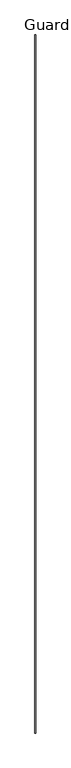
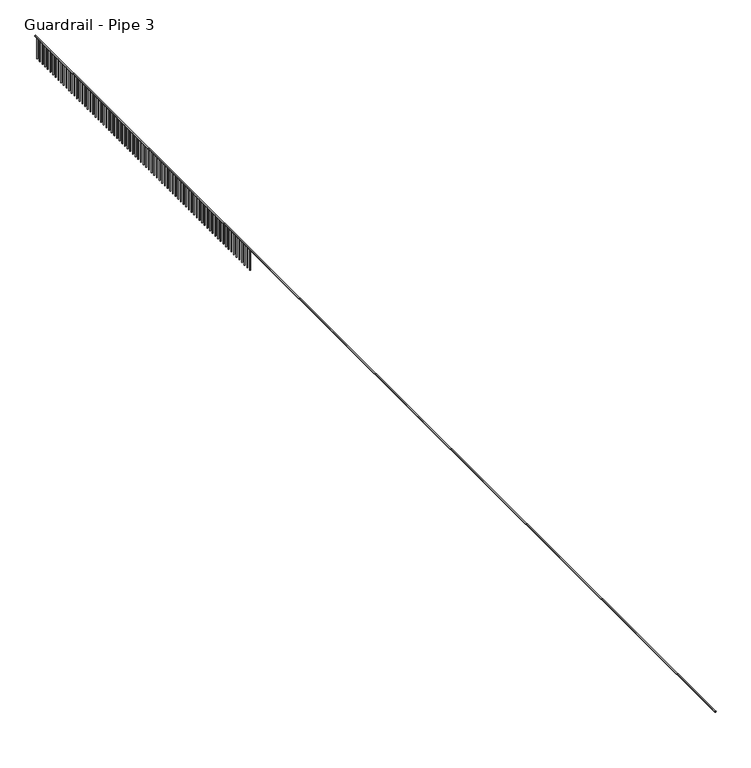
"""IFC4 building model written with IfcOpenShell, lengths in millimetres: railing geometry, Guardrail - Pipe 3."""

import ifcopenshell
import ifcopenshell.guid

model = None  # the IFC model being written
_history = None  # IfcOwnerHistory: only IFC2X3 demands one
_inside = {}  # id of a spatial element -> (the spatial element, [elements in it])
_under = {}  # id of a project, library or spatial element -> (it, [spatial elements below it])
_declared = {}  # id of a project -> (the project, [libraries it declares])
_typed = {}  # id of a type object -> (the type object, [elements of that type])
_made_of = {}  # id of a material, layer set ... -> (it, [elements and type objects made of it])


def new_model(schema):
    """Start an empty IFC model of exactly this schema.

    Asked for "IFC4X3", IfcOpenShell would pick the latest addendum, in which some entities
    have other attributes; the version numbers below select the first issue.
    IFC2X3 requires an IfcOwnerHistory on every rooted entity: one is made here for all.
    """
    global model, _history
    if schema == "IFC4X3":
        model = ifcopenshell.file(schema_version=(4, 3, 0, 0))
    else:
        model = ifcopenshell.file(schema=schema)
    _inside.clear()
    _under.clear()
    _declared.clear()
    _typed.clear()
    _made_of.clear()
    _history = None
    if model.schema == "IFC2X3":
        org = make("IfcOrganization", Name="unknown")
        user = make(
            "IfcPersonAndOrganization",
            ThePerson=make("IfcPerson", FamilyName="unknown"),
            TheOrganization=org,
        )
        app = make(
            "IfcApplication",
            ApplicationDeveloper=org,
            Version="unknown",
            ApplicationFullName="unknown",
            ApplicationIdentifier="unknown",
        )
        _history = make(
            "IfcOwnerHistory",
            OwningUser=user,
            OwningApplication=app,
            ChangeAction="ADDED",
            CreationDate=0,
        )
    return model


def make(cls, **values):
    """One entity of the class cls with the attributes given. An attribute that is None is left unset."""
    return model.create_entity(
        cls, **{name: value for name, value in values.items() if value is not None}
    )


def rooted(cls, **values):
    """An entity with a GlobalId (a new one), such as an element, a storey or a relation."""
    return make(cls, GlobalId=ifcopenshell.guid.new(), OwnerHistory=_history, **values)


def si_unit(unit_type, name, prefix=None):
    """IfcSIUnit, for example si_unit("LENGTHUNIT", "METRE", prefix="MILLI")."""
    return make("IfcSIUnit", UnitType=unit_type, Prefix=prefix, Name=name)


def assignment(units):
    """IfcUnitAssignment: the units of a project."""
    return None if units is None else make("IfcUnitAssignment", Units=units)


def point(xyz):
    """IfcCartesianPoint."""
    return None if xyz is None else make("IfcCartesianPoint", Coordinates=xyz)


def direction(xyz):
    """IfcDirection."""
    return None if xyz is None else make("IfcDirection", DirectionRatios=xyz)


def frame(location, z_axis=None, x_axis=None):
    """IfcAxis2Placement3D, a coordinate frame: its origin and axes. An axis left out is left unset."""
    return make(
        "IfcAxis2Placement3D",
        Location=point(location),
        Axis=direction(z_axis),
        RefDirection=direction(x_axis),
    )


def frame_2d(location, x_axis=None):
    """IfcAxis2Placement2D, a coordinate frame in the plane: its origin and x axis."""
    return make(
        "IfcAxis2Placement2D", Location=point(location), RefDirection=direction(x_axis)
    )


def origin():
    """The frame at (0, 0, 0) with its axes left unset."""
    return frame((0.0, 0.0, 0.0))


def place(relative_to, where):
    """IfcLocalPlacement: puts the frame where relative to a parent placement (None: the world)."""
    return make(
        "IfcLocalPlacement", PlacementRelTo=relative_to, RelativePlacement=where
    )


def context(
    kind, dimensions, precision=None, world=None, true_north=None, identifier=None
):
    """IfcGeometricRepresentationContext, for example the 3D "Model" context."""
    return make(
        "IfcGeometricRepresentationContext",
        ContextIdentifier=identifier,
        ContextType=kind,
        CoordinateSpaceDimension=dimensions,
        Precision=precision,
        WorldCoordinateSystem=world,
        TrueNorth=true_north,
    )


def project(units=None, contexts=None):
    """IfcProject with its units and contexts."""
    return rooted(
        "IfcProject",
        Name="project",
        RepresentationContexts=contexts,
        UnitsInContext=assignment(units),
    )


def spatial(cls, under=None, at=None, **own):
    """A site, building, storey or space (cls), placed at a placement, below another one or the project."""
    s = rooted(cls, ObjectPlacement=at, **own)
    if under is not None:
        _under.setdefault(under.id(), (under, []))[1].append(s)
    return s


def circle_curve(where, radius):
    """IfcCircle in the frame where."""
    return make("IfcCircle", Position=where, Radius=radius)


def trimmed(basis, trim1, trim2, sense, master):
    """IfcTrimmedCurve: the piece of a basis curve between two trims."""
    return make(
        "IfcTrimmedCurve",
        BasisCurve=basis,
        Trim1=trim1,
        Trim2=trim2,
        SenseAgreement=sense,
        MasterRepresentation=master,
    )


def segment(curve, same_sense, transition):
    """IfcCompositeCurveSegment."""
    return make(
        "IfcCompositeCurveSegment",
        Transition=transition,
        SameSense=same_sense,
        ParentCurve=curve,
    )


def composite_curve(segments, self_intersect=None):
    """IfcCompositeCurve: segments joined end to end."""
    return make("IfcCompositeCurve", Segments=segments, SelfIntersect=self_intersect)


def outline(outer, holes=None, kind="AREA"):
    """IfcArbitraryClosedProfileDef: a profile drawn as a closed curve; with holes, ...WithVoids."""
    if holes is None:
        return make("IfcArbitraryClosedProfileDef", ProfileType=kind, OuterCurve=outer)
    return make(
        "IfcArbitraryProfileDefWithVoids",
        ProfileType=kind,
        OuterCurve=outer,
        InnerCurves=holes,
    )


def extrude(swept, where, along, depth):
    """IfcExtrudedAreaSolid: the profile swept, set in the frame where, extruded along a direction by depth."""
    return make(
        "IfcExtrudedAreaSolid",
        SweptArea=swept,
        Position=where,
        ExtrudedDirection=direction(along),
        Depth=depth,
    )


def shape(context_of_items, identifier, shape_type, items):
    """IfcShapeRepresentation: the items that make up one representation, for example the "Body"."""
    return make(
        "IfcShapeRepresentation",
        ContextOfItems=context_of_items,
        RepresentationIdentifier=identifier,
        RepresentationType=shape_type,
        Items=items,
    )


def source(mapping_origin, context_of_items, identifier, shape_type, items):
    """IfcRepresentationMap: a shape defined once, which mapped items show again and again."""
    return make(
        "IfcRepresentationMap",
        MappingOrigin=mapping_origin,
        MappedRepresentation=shape(context_of_items, identifier, shape_type, items),
    )


def transform(
    local_origin,
    x_axis=None,
    y_axis=None,
    z_axis=None,
    scale=None,
    scale2=None,
    scale3=None,
    uniform=True,
):
    """IfcCartesianTransformationOperator3D, or its non-uniform kind. x_axis, y_axis, z_axis: its Axis1, 2, 3."""
    if uniform:
        return make(
            "IfcCartesianTransformationOperator3D",
            Axis1=direction(x_axis),
            Axis2=direction(y_axis),
            LocalOrigin=point(local_origin),
            Scale=scale,
            Axis3=direction(z_axis),
        )
    return make(
        "IfcCartesianTransformationOperator3DnonUniform",
        Axis1=direction(x_axis),
        Axis2=direction(y_axis),
        LocalOrigin=point(local_origin),
        Scale=scale,
        Axis3=direction(z_axis),
        Scale2=scale2,
        Scale3=scale3,
    )


def mapped(mapping_source, mapping_target):
    """IfcMappedItem: shows the shape of a source again, moved by a transform."""
    return make(
        "IfcMappedItem", MappingSource=mapping_source, MappingTarget=mapping_target
    )


def made_of(thing, what):
    """Note that an element or type object is made of a material, layer set ...; save() writes the relation."""
    if what is not None:
        _made_of.setdefault(what.id(), (what, []))[1].append(thing)
    return thing


def element(
    cls,
    number,
    at=None,
    inside=None,
    cuts=None,
    type_object=None,
    material=None,
    context=None,
    identifier="Body",
    shape_type=None,
    held_by="IfcProductDefinitionShape",
    body=None,
    shapes=None,
    **own,
):
    """One element of the class cls, such as IfcWall. Its Tag is "e" and its number.

    at: its placement. inside: the storey or other place that contains it. cuts: it is an
    opening in that element (IfcRelVoidsElement). A single representation is given by context,
    identifier, shape_type and body (its items); several are given by shapes. held_by: the class
    of the entity that holds the representations. save() writes the other relations.
    """
    e = rooted(cls, Tag="e%d" % number, ObjectPlacement=at, **own)
    if body is not None:
        shapes = [shape(context, identifier, shape_type, body)]
    if shapes is not None:
        e.Representation = make(held_by, Representations=shapes)
    if inside is not None:
        _inside.setdefault(inside.id(), (inside, []))[1].append(e)
    if cuts is not None:
        rooted(
            "IfcRelVoidsElement", RelatingBuildingElement=cuts, RelatedOpeningElement=e
        )
    if type_object is not None:
        _typed.setdefault(type_object.id(), (type_object, []))[1].append(e)
    return made_of(e, material)


def aggregate(whole, parts):
    """IfcRelAggregates: a whole, such as a stair, and the parts it consists of."""
    return rooted("IfcRelAggregates", RelatingObject=whole, RelatedObjects=parts)


def save(model, path):
    """Write the relations noted so far, then the file.

    IfcRelAggregates (storeys below a building ...), IfcRelContainedInSpatialStructure (elements
    in a storey), IfcRelDefinesByType, IfcRelAssociatesMaterial and IfcRelDeclares: one each for
    every whole, place, type object, material and project.
    """
    for whole, parts in _under.values():
        aggregate(whole, parts)
    for where, things in _inside.values():
        rooted(
            "IfcRelContainedInSpatialStructure",
            RelatedElements=things,
            RelatingStructure=where,
        )
    for kind, things in _typed.values():
        rooted("IfcRelDefinesByType", RelatedObjects=things, RelatingType=kind)
    for what, things in _made_of.values():
        rooted("IfcRelAssociatesMaterial", RelatedObjects=things, RelatingMaterial=what)
    for by, libraries in _declared.values():
        rooted("IfcRelDeclares", RelatingContext=by, RelatedDefinitions=libraries)
    model.write(path)


def guardrail_pipe_3_235fc4c5(model_context):
    return source(origin(), model_context, "Body", "SweptSolid", [
        extrude(outline(composite_curve([segment(trimmed(circle_curve(frame_2d((5010.15, 239010.323562)), 19.05), [point((5010.15, 238991.273562))], [point((5010.15, 239029.373562))], False, "CARTESIAN"), True, "CONTINUOUS"), segment(trimmed(circle_curve(frame_2d((5010.15, 239010.323562)), 19.05), [point((5010.15, 239029.373562))], [point((5010.15, 238991.273562))], False, "CARTESIAN"), True, "CONTINUOUS")], self_intersect=False)), frame((0.0, -560334.7360133, 0.0), z_axis=(0.0, 1.0, 0.0), x_axis=(0.0, 0.0, 1.0)), (0.0, 0.0, 1.0), 38963.6),
        extrude(outline(composite_curve([segment(trimmed(circle_curve(frame_2d((239010.323562, -521472.7360133)), 12.7), [point((238997.623562, -521472.7360133))], [point((239023.023562, -521472.7360133))], False, "CARTESIAN"), True, "CONTINUOUS"), segment(trimmed(circle_curve(frame_2d((239010.323562, -521472.7360133)), 12.7), [point((239023.023562, -521472.7360133))], [point((238997.623562, -521472.7360133))], False, "CARTESIAN"), True, "CONTINUOUS")], self_intersect=False)), frame((0.0, 0.0, 4267.2), z_axis=(0.0, 0.0, 1.0), x_axis=(1.0, 0.0, 0.0)), (0.0, 0.0, 1.0), 723.9),
        extrude(outline(composite_curve([segment(trimmed(circle_curve(frame_2d((239010.323562, -521625.1360133)), 12.7), [point((238997.623562, -521625.1360133))], [point((239023.023562, -521625.1360133))], False, "CARTESIAN"), True, "CONTINUOUS"), segment(trimmed(circle_curve(frame_2d((239010.323562, -521625.1360133)), 12.7), [point((239023.023562, -521625.1360133))], [point((238997.623562, -521625.1360133))], False, "CARTESIAN"), True, "CONTINUOUS")], self_intersect=False)), frame((0.0, 0.0, 4267.2), z_axis=(0.0, 0.0, 1.0), x_axis=(1.0, 0.0, 0.0)), (0.0, 0.0, 1.0), 723.9),
        extrude(outline(composite_curve([segment(trimmed(circle_curve(frame_2d((239010.323562, -521777.5360133)), 12.7), [point((238997.623562, -521777.5360133))], [point((239023.023562, -521777.5360133))], False, "CARTESIAN"), True, "CONTINUOUS"), segment(trimmed(circle_curve(frame_2d((239010.323562, -521777.5360133)), 12.7), [point((239023.023562, -521777.5360133))], [point((238997.623562, -521777.5360133))], False, "CARTESIAN"), True, "CONTINUOUS")], self_intersect=False)), frame((0.0, 0.0, 4267.2), z_axis=(0.0, 0.0, 1.0), x_axis=(1.0, 0.0, 0.0)), (0.0, 0.0, 1.0), 723.9),
        extrude(outline(composite_curve([segment(trimmed(circle_curve(frame_2d((239010.323562, -521929.9360133)), 12.7), [point((238997.623562, -521929.9360133))], [point((239023.023562, -521929.9360133))], False, "CARTESIAN"), True, "CONTINUOUS"), segment(trimmed(circle_curve(frame_2d((239010.323562, -521929.9360133)), 12.7), [point((239023.023562, -521929.9360133))], [point((238997.623562, -521929.9360133))], False, "CARTESIAN"), True, "CONTINUOUS")], self_intersect=False)), frame((0.0, 0.0, 4267.2), z_axis=(0.0, 0.0, 1.0), x_axis=(1.0, 0.0, 0.0)), (0.0, 0.0, 1.0), 723.9),
        extrude(outline(composite_curve([segment(trimmed(circle_curve(frame_2d((239010.323562, -522082.3360133)), 12.7), [point((238997.623562, -522082.3360133))], [point((239023.023562, -522082.3360133))], False, "CARTESIAN"), True, "CONTINUOUS"), segment(trimmed(circle_curve(frame_2d((239010.323562, -522082.3360133)), 12.7), [point((239023.023562, -522082.3360133))], [point((238997.623562, -522082.3360133))], False, "CARTESIAN"), True, "CONTINUOUS")], self_intersect=False)), frame((0.0, 0.0, 4267.2), z_axis=(0.0, 0.0, 1.0), x_axis=(1.0, 0.0, 0.0)), (0.0, 0.0, 1.0), 723.9),
        extrude(outline(composite_curve([segment(trimmed(circle_curve(frame_2d((239010.323562, -522234.7360133)), 12.7), [point((238997.623562, -522234.7360133))], [point((239023.023562, -522234.7360133))], False, "CARTESIAN"), True, "CONTINUOUS"), segment(trimmed(circle_curve(frame_2d((239010.323562, -522234.7360133)), 12.7), [point((239023.023562, -522234.7360133))], [point((238997.623562, -522234.7360133))], False, "CARTESIAN"), True, "CONTINUOUS")], self_intersect=False)), frame((0.0, 0.0, 4267.2), z_axis=(0.0, 0.0, 1.0), x_axis=(1.0, 0.0, 0.0)), (0.0, 0.0, 1.0), 723.9),
        extrude(outline(composite_curve([segment(trimmed(circle_curve(frame_2d((239010.323562, -522387.1360133)), 12.7), [point((238997.623562, -522387.1360133))], [point((239023.023562, -522387.1360133))], False, "CARTESIAN"), True, "CONTINUOUS"), segment(trimmed(circle_curve(frame_2d((239010.323562, -522387.1360133)), 12.7), [point((239023.023562, -522387.1360133))], [point((238997.623562, -522387.1360133))], False, "CARTESIAN"), True, "CONTINUOUS")], self_intersect=False)), frame((0.0, 0.0, 4267.2), z_axis=(0.0, 0.0, 1.0), x_axis=(1.0, 0.0, 0.0)), (0.0, 0.0, 1.0), 723.9),
        extrude(outline(composite_curve([segment(trimmed(circle_curve(frame_2d((239010.323562, -522539.5360133)), 12.7), [point((238997.623562, -522539.5360133))], [point((239023.023562, -522539.5360133))], False, "CARTESIAN"), True, "CONTINUOUS"), segment(trimmed(circle_curve(frame_2d((239010.323562, -522539.5360133)), 12.7), [point((239023.023562, -522539.5360133))], [point((238997.623562, -522539.5360133))], False, "CARTESIAN"), True, "CONTINUOUS")], self_intersect=False)), frame((0.0, 0.0, 4267.2), z_axis=(0.0, 0.0, 1.0), x_axis=(1.0, 0.0, 0.0)), (0.0, 0.0, 1.0), 723.9),
        extrude(outline(composite_curve([segment(trimmed(circle_curve(frame_2d((239010.323562, -522691.9360133)), 12.7), [point((238997.623562, -522691.9360133))], [point((239023.023562, -522691.9360133))], False, "CARTESIAN"), True, "CONTINUOUS"), segment(trimmed(circle_curve(frame_2d((239010.323562, -522691.9360133)), 12.7), [point((239023.023562, -522691.9360133))], [point((238997.623562, -522691.9360133))], False, "CARTESIAN"), True, "CONTINUOUS")], self_intersect=False)), frame((0.0, 0.0, 4267.2), z_axis=(0.0, 0.0, 1.0), x_axis=(1.0, 0.0, 0.0)), (0.0, 0.0, 1.0), 723.9),
        extrude(outline(composite_curve([segment(trimmed(circle_curve(frame_2d((239010.323562, -522844.3360133)), 12.7), [point((238997.623562, -522844.3360133))], [point((239023.023562, -522844.3360133))], False, "CARTESIAN"), True, "CONTINUOUS"), segment(trimmed(circle_curve(frame_2d((239010.323562, -522844.3360133)), 12.7), [point((239023.023562, -522844.3360133))], [point((238997.623562, -522844.3360133))], False, "CARTESIAN"), True, "CONTINUOUS")], self_intersect=False)), frame((0.0, 0.0, 4267.2), z_axis=(0.0, 0.0, 1.0), x_axis=(1.0, 0.0, 0.0)), (0.0, 0.0, 1.0), 723.9),
        extrude(outline(composite_curve([segment(trimmed(circle_curve(frame_2d((239010.323562, -522996.7360133)), 12.7), [point((238997.623562, -522996.7360133))], [point((239023.023562, -522996.7360133))], False, "CARTESIAN"), True, "CONTINUOUS"), segment(trimmed(circle_curve(frame_2d((239010.323562, -522996.7360133)), 12.7), [point((239023.023562, -522996.7360133))], [point((238997.623562, -522996.7360133))], False, "CARTESIAN"), True, "CONTINUOUS")], self_intersect=False)), frame((0.0, 0.0, 4267.2), z_axis=(0.0, 0.0, 1.0), x_axis=(1.0, 0.0, 0.0)), (0.0, 0.0, 1.0), 723.9),
        extrude(outline(composite_curve([segment(trimmed(circle_curve(frame_2d((239010.323562, -523149.1360133)), 12.7), [point((238997.623562, -523149.1360133))], [point((239023.023562, -523149.1360133))], False, "CARTESIAN"), True, "CONTINUOUS"), segment(trimmed(circle_curve(frame_2d((239010.323562, -523149.1360133)), 12.7), [point((239023.023562, -523149.1360133))], [point((238997.623562, -523149.1360133))], False, "CARTESIAN"), True, "CONTINUOUS")], self_intersect=False)), frame((0.0, 0.0, 4267.2), z_axis=(0.0, 0.0, 1.0), x_axis=(1.0, 0.0, 0.0)), (0.0, 0.0, 1.0), 723.9),
        extrude(outline(composite_curve([segment(trimmed(circle_curve(frame_2d((239010.323562, -523301.5360133)), 12.7), [point((238997.623562, -523301.5360133))], [point((239023.023562, -523301.5360133))], False, "CARTESIAN"), True, "CONTINUOUS"), segment(trimmed(circle_curve(frame_2d((239010.323562, -523301.5360133)), 12.7), [point((239023.023562, -523301.5360133))], [point((238997.623562, -523301.5360133))], False, "CARTESIAN"), True, "CONTINUOUS")], self_intersect=False)), frame((0.0, 0.0, 4267.2), z_axis=(0.0, 0.0, 1.0), x_axis=(1.0, 0.0, 0.0)), (0.0, 0.0, 1.0), 723.9),
        extrude(outline(composite_curve([segment(trimmed(circle_curve(frame_2d((239010.323562, -523453.9360133)), 12.7), [point((238997.623562, -523453.9360133))], [point((239023.023562, -523453.9360133))], False, "CARTESIAN"), True, "CONTINUOUS"), segment(trimmed(circle_curve(frame_2d((239010.323562, -523453.9360133)), 12.7), [point((239023.023562, -523453.9360133))], [point((238997.623562, -523453.9360133))], False, "CARTESIAN"), True, "CONTINUOUS")], self_intersect=False)), frame((0.0, 0.0, 4267.2), z_axis=(0.0, 0.0, 1.0), x_axis=(1.0, 0.0, 0.0)), (0.0, 0.0, 1.0), 723.9),
        extrude(outline(composite_curve([segment(trimmed(circle_curve(frame_2d((239010.323562, -523606.3360133)), 12.7), [point((238997.623562, -523606.3360133))], [point((239023.023562, -523606.3360133))], False, "CARTESIAN"), True, "CONTINUOUS"), segment(trimmed(circle_curve(frame_2d((239010.323562, -523606.3360133)), 12.7), [point((239023.023562, -523606.3360133))], [point((238997.623562, -523606.3360133))], False, "CARTESIAN"), True, "CONTINUOUS")], self_intersect=False)), frame((0.0, 0.0, 4267.2), z_axis=(0.0, 0.0, 1.0), x_axis=(1.0, 0.0, 0.0)), (0.0, 0.0, 1.0), 723.9),
        extrude(outline(composite_curve([segment(trimmed(circle_curve(frame_2d((239010.323562, -523758.7360133)), 12.7), [point((238997.623562, -523758.7360133))], [point((239023.023562, -523758.7360133))], False, "CARTESIAN"), True, "CONTINUOUS"), segment(trimmed(circle_curve(frame_2d((239010.323562, -523758.7360133)), 12.7), [point((239023.023562, -523758.7360133))], [point((238997.623562, -523758.7360133))], False, "CARTESIAN"), True, "CONTINUOUS")], self_intersect=False)), frame((0.0, 0.0, 4267.2), z_axis=(0.0, 0.0, 1.0), x_axis=(1.0, 0.0, 0.0)), (0.0, 0.0, 1.0), 723.9),
        extrude(outline(composite_curve([segment(trimmed(circle_curve(frame_2d((239010.323562, -523911.1360133)), 12.7), [point((238997.623562, -523911.1360133))], [point((239023.023562, -523911.1360133))], False, "CARTESIAN"), True, "CONTINUOUS"), segment(trimmed(circle_curve(frame_2d((239010.323562, -523911.1360133)), 12.7), [point((239023.023562, -523911.1360133))], [point((238997.623562, -523911.1360133))], False, "CARTESIAN"), True, "CONTINUOUS")], self_intersect=False)), frame((0.0, 0.0, 4267.2), z_axis=(0.0, 0.0, 1.0), x_axis=(1.0, 0.0, 0.0)), (0.0, 0.0, 1.0), 723.9),
        extrude(outline(composite_curve([segment(trimmed(circle_curve(frame_2d((239010.323562, -524063.5360133)), 12.7), [point((238997.623562, -524063.5360133))], [point((239023.023562, -524063.5360133))], False, "CARTESIAN"), True, "CONTINUOUS"), segment(trimmed(circle_curve(frame_2d((239010.323562, -524063.5360133)), 12.7), [point((239023.023562, -524063.5360133))], [point((238997.623562, -524063.5360133))], False, "CARTESIAN"), True, "CONTINUOUS")], self_intersect=False)), frame((0.0, 0.0, 4267.2), z_axis=(0.0, 0.0, 1.0), x_axis=(1.0, 0.0, 0.0)), (0.0, 0.0, 1.0), 723.9),
        extrude(outline(composite_curve([segment(trimmed(circle_curve(frame_2d((239010.323562, -524215.9360133)), 12.7), [point((238997.623562, -524215.9360133))], [point((239023.023562, -524215.9360133))], False, "CARTESIAN"), True, "CONTINUOUS"), segment(trimmed(circle_curve(frame_2d((239010.323562, -524215.9360133)), 12.7), [point((239023.023562, -524215.9360133))], [point((238997.623562, -524215.9360133))], False, "CARTESIAN"), True, "CONTINUOUS")], self_intersect=False)), frame((0.0, 0.0, 4267.2), z_axis=(0.0, 0.0, 1.0), x_axis=(1.0, 0.0, 0.0)), (0.0, 0.0, 1.0), 723.9),
        extrude(outline(composite_curve([segment(trimmed(circle_curve(frame_2d((239010.323562, -524368.3360133)), 12.7), [point((238997.623562, -524368.3360133))], [point((239023.023562, -524368.3360133))], False, "CARTESIAN"), True, "CONTINUOUS"), segment(trimmed(circle_curve(frame_2d((239010.323562, -524368.3360133)), 12.7), [point((239023.023562, -524368.3360133))], [point((238997.623562, -524368.3360133))], False, "CARTESIAN"), True, "CONTINUOUS")], self_intersect=False)), frame((0.0, 0.0, 4267.2), z_axis=(0.0, 0.0, 1.0), x_axis=(1.0, 0.0, 0.0)), (0.0, 0.0, 1.0), 723.9),
        extrude(outline(composite_curve([segment(trimmed(circle_curve(frame_2d((239010.323562, -524520.7360133)), 12.7), [point((238997.623562, -524520.7360133))], [point((239023.023562, -524520.7360133))], False, "CARTESIAN"), True, "CONTINUOUS"), segment(trimmed(circle_curve(frame_2d((239010.323562, -524520.7360133)), 12.7), [point((239023.023562, -524520.7360133))], [point((238997.623562, -524520.7360133))], False, "CARTESIAN"), True, "CONTINUOUS")], self_intersect=False)), frame((0.0, 0.0, 4267.2), z_axis=(0.0, 0.0, 1.0), x_axis=(1.0, 0.0, 0.0)), (0.0, 0.0, 1.0), 723.9),
        extrude(outline(composite_curve([segment(trimmed(circle_curve(frame_2d((239010.323562, -524673.1360133)), 12.7), [point((238997.623562, -524673.1360133))], [point((239023.023562, -524673.1360133))], False, "CARTESIAN"), True, "CONTINUOUS"), segment(trimmed(circle_curve(frame_2d((239010.323562, -524673.1360133)), 12.7), [point((239023.023562, -524673.1360133))], [point((238997.623562, -524673.1360133))], False, "CARTESIAN"), True, "CONTINUOUS")], self_intersect=False)), frame((0.0, 0.0, 4267.2), z_axis=(0.0, 0.0, 1.0), x_axis=(1.0, 0.0, 0.0)), (0.0, 0.0, 1.0), 723.9),
        extrude(outline(composite_curve([segment(trimmed(circle_curve(frame_2d((239010.323562, -524825.5360133)), 12.7), [point((238997.623562, -524825.5360133))], [point((239023.023562, -524825.5360133))], False, "CARTESIAN"), True, "CONTINUOUS"), segment(trimmed(circle_curve(frame_2d((239010.323562, -524825.5360133)), 12.7), [point((239023.023562, -524825.5360133))], [point((238997.623562, -524825.5360133))], False, "CARTESIAN"), True, "CONTINUOUS")], self_intersect=False)), frame((0.0, 0.0, 4267.2), z_axis=(0.0, 0.0, 1.0), x_axis=(1.0, 0.0, 0.0)), (0.0, 0.0, 1.0), 723.9),
        extrude(outline(composite_curve([segment(trimmed(circle_curve(frame_2d((239010.323562, -524977.9360133)), 12.7), [point((238997.623562, -524977.9360133))], [point((239023.023562, -524977.9360133))], False, "CARTESIAN"), True, "CONTINUOUS"), segment(trimmed(circle_curve(frame_2d((239010.323562, -524977.9360133)), 12.7), [point((239023.023562, -524977.9360133))], [point((238997.623562, -524977.9360133))], False, "CARTESIAN"), True, "CONTINUOUS")], self_intersect=False)), frame((0.0, 0.0, 4267.2), z_axis=(0.0, 0.0, 1.0), x_axis=(1.0, 0.0, 0.0)), (0.0, 0.0, 1.0), 723.9),
        extrude(outline(composite_curve([segment(trimmed(circle_curve(frame_2d((239010.323562, -525130.3360133)), 12.7), [point((238997.623562, -525130.3360133))], [point((239023.023562, -525130.3360133))], False, "CARTESIAN"), True, "CONTINUOUS"), segment(trimmed(circle_curve(frame_2d((239010.323562, -525130.3360133)), 12.7), [point((239023.023562, -525130.3360133))], [point((238997.623562, -525130.3360133))], False, "CARTESIAN"), True, "CONTINUOUS")], self_intersect=False)), frame((0.0, 0.0, 4267.2), z_axis=(0.0, 0.0, 1.0), x_axis=(1.0, 0.0, 0.0)), (0.0, 0.0, 1.0), 723.9),
        extrude(outline(composite_curve([segment(trimmed(circle_curve(frame_2d((239010.323562, -525282.7360133)), 12.7), [point((238997.623562, -525282.7360133))], [point((239023.023562, -525282.7360133))], False, "CARTESIAN"), True, "CONTINUOUS"), segment(trimmed(circle_curve(frame_2d((239010.323562, -525282.7360133)), 12.7), [point((239023.023562, -525282.7360133))], [point((238997.623562, -525282.7360133))], False, "CARTESIAN"), True, "CONTINUOUS")], self_intersect=False)), frame((0.0, 0.0, 4267.2), z_axis=(0.0, 0.0, 1.0), x_axis=(1.0, 0.0, 0.0)), (0.0, 0.0, 1.0), 723.9),
        extrude(outline(composite_curve([segment(trimmed(circle_curve(frame_2d((239010.323562, -525435.1360133)), 12.7), [point((238997.623562, -525435.1360133))], [point((239023.023562, -525435.1360133))], False, "CARTESIAN"), True, "CONTINUOUS"), segment(trimmed(circle_curve(frame_2d((239010.323562, -525435.1360133)), 12.7), [point((239023.023562, -525435.1360133))], [point((238997.623562, -525435.1360133))], False, "CARTESIAN"), True, "CONTINUOUS")], self_intersect=False)), frame((0.0, 0.0, 4267.2), z_axis=(0.0, 0.0, 1.0), x_axis=(1.0, 0.0, 0.0)), (0.0, 0.0, 1.0), 723.9),
        extrude(outline(composite_curve([segment(trimmed(circle_curve(frame_2d((239010.323562, -525587.5360133)), 12.7), [point((238997.623562, -525587.5360133))], [point((239023.023562, -525587.5360133))], False, "CARTESIAN"), True, "CONTINUOUS"), segment(trimmed(circle_curve(frame_2d((239010.323562, -525587.5360133)), 12.7), [point((239023.023562, -525587.5360133))], [point((238997.623562, -525587.5360133))], False, "CARTESIAN"), True, "CONTINUOUS")], self_intersect=False)), frame((0.0, 0.0, 4267.2), z_axis=(0.0, 0.0, 1.0), x_axis=(1.0, 0.0, 0.0)), (0.0, 0.0, 1.0), 723.9),
        extrude(outline(composite_curve([segment(trimmed(circle_curve(frame_2d((239010.323562, -525739.9360133)), 12.7), [point((238997.623562, -525739.9360133))], [point((239023.023562, -525739.9360133))], False, "CARTESIAN"), True, "CONTINUOUS"), segment(trimmed(circle_curve(frame_2d((239010.323562, -525739.9360133)), 12.7), [point((239023.023562, -525739.9360133))], [point((238997.623562, -525739.9360133))], False, "CARTESIAN"), True, "CONTINUOUS")], self_intersect=False)), frame((0.0, 0.0, 4267.2), z_axis=(0.0, 0.0, 1.0), x_axis=(1.0, 0.0, 0.0)), (0.0, 0.0, 1.0), 723.9),
        extrude(outline(composite_curve([segment(trimmed(circle_curve(frame_2d((239010.323562, -525892.3360133)), 12.7), [point((238997.623562, -525892.3360133))], [point((239023.023562, -525892.3360133))], False, "CARTESIAN"), True, "CONTINUOUS"), segment(trimmed(circle_curve(frame_2d((239010.323562, -525892.3360133)), 12.7), [point((239023.023562, -525892.3360133))], [point((238997.623562, -525892.3360133))], False, "CARTESIAN"), True, "CONTINUOUS")], self_intersect=False)), frame((0.0, 0.0, 4267.2), z_axis=(0.0, 0.0, 1.0), x_axis=(1.0, 0.0, 0.0)), (0.0, 0.0, 1.0), 723.9),
        extrude(outline(composite_curve([segment(trimmed(circle_curve(frame_2d((239010.323562, -526044.7360133)), 12.7), [point((238997.623562, -526044.7360133))], [point((239023.023562, -526044.7360133))], False, "CARTESIAN"), True, "CONTINUOUS"), segment(trimmed(circle_curve(frame_2d((239010.323562, -526044.7360133)), 12.7), [point((239023.023562, -526044.7360133))], [point((238997.623562, -526044.7360133))], False, "CARTESIAN"), True, "CONTINUOUS")], self_intersect=False)), frame((0.0, 0.0, 4267.2), z_axis=(0.0, 0.0, 1.0), x_axis=(1.0, 0.0, 0.0)), (0.0, 0.0, 1.0), 723.9),
        extrude(outline(composite_curve([segment(trimmed(circle_curve(frame_2d((239010.323562, -526197.1360133)), 12.7), [point((238997.623562, -526197.1360133))], [point((239023.023562, -526197.1360133))], False, "CARTESIAN"), True, "CONTINUOUS"), segment(trimmed(circle_curve(frame_2d((239010.323562, -526197.1360133)), 12.7), [point((239023.023562, -526197.1360133))], [point((238997.623562, -526197.1360133))], False, "CARTESIAN"), True, "CONTINUOUS")], self_intersect=False)), frame((0.0, 0.0, 4267.2), z_axis=(0.0, 0.0, 1.0), x_axis=(1.0, 0.0, 0.0)), (0.0, 0.0, 1.0), 723.9),
        extrude(outline(composite_curve([segment(trimmed(circle_curve(frame_2d((239010.323562, -526349.5360133)), 12.7), [point((238997.623562, -526349.5360133))], [point((239023.023562, -526349.5360133))], False, "CARTESIAN"), True, "CONTINUOUS"), segment(trimmed(circle_curve(frame_2d((239010.323562, -526349.5360133)), 12.7), [point((239023.023562, -526349.5360133))], [point((238997.623562, -526349.5360133))], False, "CARTESIAN"), True, "CONTINUOUS")], self_intersect=False)), frame((0.0, 0.0, 4267.2), z_axis=(0.0, 0.0, 1.0), x_axis=(1.0, 0.0, 0.0)), (0.0, 0.0, 1.0), 723.9),
        extrude(outline(composite_curve([segment(trimmed(circle_curve(frame_2d((239010.323562, -526501.9360133)), 12.7), [point((238997.623562, -526501.9360133))], [point((239023.023562, -526501.9360133))], False, "CARTESIAN"), True, "CONTINUOUS"), segment(trimmed(circle_curve(frame_2d((239010.323562, -526501.9360133)), 12.7), [point((239023.023562, -526501.9360133))], [point((238997.623562, -526501.9360133))], False, "CARTESIAN"), True, "CONTINUOUS")], self_intersect=False)), frame((0.0, 0.0, 4267.2), z_axis=(0.0, 0.0, 1.0), x_axis=(1.0, 0.0, 0.0)), (0.0, 0.0, 1.0), 723.9),
        extrude(outline(composite_curve([segment(trimmed(circle_curve(frame_2d((239010.323562, -526654.3360133)), 12.7), [point((238997.623562, -526654.3360133))], [point((239023.023562, -526654.3360133))], False, "CARTESIAN"), True, "CONTINUOUS"), segment(trimmed(circle_curve(frame_2d((239010.323562, -526654.3360133)), 12.7), [point((239023.023562, -526654.3360133))], [point((238997.623562, -526654.3360133))], False, "CARTESIAN"), True, "CONTINUOUS")], self_intersect=False)), frame((0.0, 0.0, 4267.2), z_axis=(0.0, 0.0, 1.0), x_axis=(1.0, 0.0, 0.0)), (0.0, 0.0, 1.0), 723.9),
        extrude(outline(composite_curve([segment(trimmed(circle_curve(frame_2d((239010.323562, -526806.7360133)), 12.7), [point((238997.623562, -526806.7360133))], [point((239023.023562, -526806.7360133))], False, "CARTESIAN"), True, "CONTINUOUS"), segment(trimmed(circle_curve(frame_2d((239010.323562, -526806.7360133)), 12.7), [point((239023.023562, -526806.7360133))], [point((238997.623562, -526806.7360133))], False, "CARTESIAN"), True, "CONTINUOUS")], self_intersect=False)), frame((0.0, 0.0, 4267.2), z_axis=(0.0, 0.0, 1.0), x_axis=(1.0, 0.0, 0.0)), (0.0, 0.0, 1.0), 723.9),
        extrude(outline(composite_curve([segment(trimmed(circle_curve(frame_2d((239010.323562, -526959.1360133)), 12.7), [point((238997.623562, -526959.1360133))], [point((239023.023562, -526959.1360133))], False, "CARTESIAN"), True, "CONTINUOUS"), segment(trimmed(circle_curve(frame_2d((239010.323562, -526959.1360133)), 12.7), [point((239023.023562, -526959.1360133))], [point((238997.623562, -526959.1360133))], False, "CARTESIAN"), True, "CONTINUOUS")], self_intersect=False)), frame((0.0, 0.0, 4267.2), z_axis=(0.0, 0.0, 1.0), x_axis=(1.0, 0.0, 0.0)), (0.0, 0.0, 1.0), 723.9),
        extrude(outline(composite_curve([segment(trimmed(circle_curve(frame_2d((239010.323562, -527111.5360133)), 12.7), [point((238997.623562, -527111.5360133))], [point((239023.023562, -527111.5360133))], False, "CARTESIAN"), True, "CONTINUOUS"), segment(trimmed(circle_curve(frame_2d((239010.323562, -527111.5360133)), 12.7), [point((239023.023562, -527111.5360133))], [point((238997.623562, -527111.5360133))], False, "CARTESIAN"), True, "CONTINUOUS")], self_intersect=False)), frame((0.0, 0.0, 4267.2), z_axis=(0.0, 0.0, 1.0), x_axis=(1.0, 0.0, 0.0)), (0.0, 0.0, 1.0), 723.9),
        extrude(outline(composite_curve([segment(trimmed(circle_curve(frame_2d((239010.323562, -527263.9360133)), 12.7), [point((238997.623562, -527263.9360133))], [point((239023.023562, -527263.9360133))], False, "CARTESIAN"), True, "CONTINUOUS"), segment(trimmed(circle_curve(frame_2d((239010.323562, -527263.9360133)), 12.7), [point((239023.023562, -527263.9360133))], [point((238997.623562, -527263.9360133))], False, "CARTESIAN"), True, "CONTINUOUS")], self_intersect=False)), frame((0.0, 0.0, 4267.2), z_axis=(0.0, 0.0, 1.0), x_axis=(1.0, 0.0, 0.0)), (0.0, 0.0, 1.0), 723.9),
        extrude(outline(composite_curve([segment(trimmed(circle_curve(frame_2d((239010.323562, -527416.3360133)), 12.7), [point((238997.623562, -527416.3360133))], [point((239023.023562, -527416.3360133))], False, "CARTESIAN"), True, "CONTINUOUS"), segment(trimmed(circle_curve(frame_2d((239010.323562, -527416.3360133)), 12.7), [point((239023.023562, -527416.3360133))], [point((238997.623562, -527416.3360133))], False, "CARTESIAN"), True, "CONTINUOUS")], self_intersect=False)), frame((0.0, 0.0, 4267.2), z_axis=(0.0, 0.0, 1.0), x_axis=(1.0, 0.0, 0.0)), (0.0, 0.0, 1.0), 723.9),
        extrude(outline(composite_curve([segment(trimmed(circle_curve(frame_2d((239010.323562, -527568.7360133)), 12.7), [point((238997.623562, -527568.7360133))], [point((239023.023562, -527568.7360133))], False, "CARTESIAN"), True, "CONTINUOUS"), segment(trimmed(circle_curve(frame_2d((239010.323562, -527568.7360133)), 12.7), [point((239023.023562, -527568.7360133))], [point((238997.623562, -527568.7360133))], False, "CARTESIAN"), True, "CONTINUOUS")], self_intersect=False)), frame((0.0, 0.0, 4267.2), z_axis=(0.0, 0.0, 1.0), x_axis=(1.0, 0.0, 0.0)), (0.0, 0.0, 1.0), 723.9),
        extrude(outline(composite_curve([segment(trimmed(circle_curve(frame_2d((239010.323562, -527721.1360133)), 12.7), [point((238997.623562, -527721.1360133))], [point((239023.023562, -527721.1360133))], False, "CARTESIAN"), True, "CONTINUOUS"), segment(trimmed(circle_curve(frame_2d((239010.323562, -527721.1360133)), 12.7), [point((239023.023562, -527721.1360133))], [point((238997.623562, -527721.1360133))], False, "CARTESIAN"), True, "CONTINUOUS")], self_intersect=False)), frame((0.0, 0.0, 4267.2), z_axis=(0.0, 0.0, 1.0), x_axis=(1.0, 0.0, 0.0)), (0.0, 0.0, 1.0), 723.9),
        extrude(outline(composite_curve([segment(trimmed(circle_curve(frame_2d((239010.323562, -527873.5360133)), 12.7), [point((238997.623562, -527873.5360133))], [point((239023.023562, -527873.5360133))], False, "CARTESIAN"), True, "CONTINUOUS"), segment(trimmed(circle_curve(frame_2d((239010.323562, -527873.5360133)), 12.7), [point((239023.023562, -527873.5360133))], [point((238997.623562, -527873.5360133))], False, "CARTESIAN"), True, "CONTINUOUS")], self_intersect=False)), frame((0.0, 0.0, 4267.2), z_axis=(0.0, 0.0, 1.0), x_axis=(1.0, 0.0, 0.0)), (0.0, 0.0, 1.0), 723.9),
        extrude(outline(composite_curve([segment(trimmed(circle_curve(frame_2d((239010.323562, -528025.9360133)), 12.7), [point((238997.623562, -528025.9360133))], [point((239023.023562, -528025.9360133))], False, "CARTESIAN"), True, "CONTINUOUS"), segment(trimmed(circle_curve(frame_2d((239010.323562, -528025.9360133)), 12.7), [point((239023.023562, -528025.9360133))], [point((238997.623562, -528025.9360133))], False, "CARTESIAN"), True, "CONTINUOUS")], self_intersect=False)), frame((0.0, 0.0, 4267.2), z_axis=(0.0, 0.0, 1.0), x_axis=(1.0, 0.0, 0.0)), (0.0, 0.0, 1.0), 723.9),
        extrude(outline(composite_curve([segment(trimmed(circle_curve(frame_2d((239010.323562, -528178.3360133)), 12.7), [point((238997.623562, -528178.3360133))], [point((239023.023562, -528178.3360133))], False, "CARTESIAN"), True, "CONTINUOUS"), segment(trimmed(circle_curve(frame_2d((239010.323562, -528178.3360133)), 12.7), [point((239023.023562, -528178.3360133))], [point((238997.623562, -528178.3360133))], False, "CARTESIAN"), True, "CONTINUOUS")], self_intersect=False)), frame((0.0, 0.0, 4267.2), z_axis=(0.0, 0.0, 1.0), x_axis=(1.0, 0.0, 0.0)), (0.0, 0.0, 1.0), 723.9),
        extrude(outline(composite_curve([segment(trimmed(circle_curve(frame_2d((239010.323562, -528330.7360133)), 12.7), [point((238997.623562, -528330.7360133))], [point((239023.023562, -528330.7360133))], False, "CARTESIAN"), True, "CONTINUOUS"), segment(trimmed(circle_curve(frame_2d((239010.323562, -528330.7360133)), 12.7), [point((239023.023562, -528330.7360133))], [point((238997.623562, -528330.7360133))], False, "CARTESIAN"), True, "CONTINUOUS")], self_intersect=False)), frame((0.0, 0.0, 4267.2), z_axis=(0.0, 0.0, 1.0), x_axis=(1.0, 0.0, 0.0)), (0.0, 0.0, 1.0), 723.9),
        extrude(outline(composite_curve([segment(trimmed(circle_curve(frame_2d((239010.323562, -528483.1360133)), 12.7), [point((238997.623562, -528483.1360133))], [point((239023.023562, -528483.1360133))], False, "CARTESIAN"), True, "CONTINUOUS"), segment(trimmed(circle_curve(frame_2d((239010.323562, -528483.1360133)), 12.7), [point((239023.023562, -528483.1360133))], [point((238997.623562, -528483.1360133))], False, "CARTESIAN"), True, "CONTINUOUS")], self_intersect=False)), frame((0.0, 0.0, 4267.2), z_axis=(0.0, 0.0, 1.0), x_axis=(1.0, 0.0, 0.0)), (0.0, 0.0, 1.0), 723.9),
        extrude(outline(composite_curve([segment(trimmed(circle_curve(frame_2d((239010.323562, -528635.5360133)), 12.7), [point((238997.623562, -528635.5360133))], [point((239023.023562, -528635.5360133))], False, "CARTESIAN"), True, "CONTINUOUS"), segment(trimmed(circle_curve(frame_2d((239010.323562, -528635.5360133)), 12.7), [point((239023.023562, -528635.5360133))], [point((238997.623562, -528635.5360133))], False, "CARTESIAN"), True, "CONTINUOUS")], self_intersect=False)), frame((0.0, 0.0, 4267.2), z_axis=(0.0, 0.0, 1.0), x_axis=(1.0, 0.0, 0.0)), (0.0, 0.0, 1.0), 723.9),
        extrude(outline(composite_curve([segment(trimmed(circle_curve(frame_2d((239010.323562, -528787.9360133)), 12.7), [point((238997.623562, -528787.9360133))], [point((239023.023562, -528787.9360133))], False, "CARTESIAN"), True, "CONTINUOUS"), segment(trimmed(circle_curve(frame_2d((239010.323562, -528787.9360133)), 12.7), [point((239023.023562, -528787.9360133))], [point((238997.623562, -528787.9360133))], False, "CARTESIAN"), True, "CONTINUOUS")], self_intersect=False)), frame((0.0, 0.0, 4267.2), z_axis=(0.0, 0.0, 1.0), x_axis=(1.0, 0.0, 0.0)), (0.0, 0.0, 1.0), 723.9),
        extrude(outline(composite_curve([segment(trimmed(circle_curve(frame_2d((239010.323562, -528940.3360133)), 12.7), [point((238997.623562, -528940.3360133))], [point((239023.023562, -528940.3360133))], False, "CARTESIAN"), True, "CONTINUOUS"), segment(trimmed(circle_curve(frame_2d((239010.323562, -528940.3360133)), 12.7), [point((239023.023562, -528940.3360133))], [point((238997.623562, -528940.3360133))], False, "CARTESIAN"), True, "CONTINUOUS")], self_intersect=False)), frame((0.0, 0.0, 4267.2), z_axis=(0.0, 0.0, 1.0), x_axis=(1.0, 0.0, 0.0)), (0.0, 0.0, 1.0), 723.9),
        extrude(outline(composite_curve([segment(trimmed(circle_curve(frame_2d((239010.323562, -529092.7360133)), 12.7), [point((238997.623562, -529092.7360133))], [point((239023.023562, -529092.7360133))], False, "CARTESIAN"), True, "CONTINUOUS"), segment(trimmed(circle_curve(frame_2d((239010.323562, -529092.7360133)), 12.7), [point((239023.023562, -529092.7360133))], [point((238997.623562, -529092.7360133))], False, "CARTESIAN"), True, "CONTINUOUS")], self_intersect=False)), frame((0.0, 0.0, 4267.2), z_axis=(0.0, 0.0, 1.0), x_axis=(1.0, 0.0, 0.0)), (0.0, 0.0, 1.0), 723.9),
        extrude(outline(composite_curve([segment(trimmed(circle_curve(frame_2d((239010.323562, -529245.1360133)), 12.7), [point((238997.623562, -529245.1360133))], [point((239023.023562, -529245.1360133))], False, "CARTESIAN"), True, "CONTINUOUS"), segment(trimmed(circle_curve(frame_2d((239010.323562, -529245.1360133)), 12.7), [point((239023.023562, -529245.1360133))], [point((238997.623562, -529245.1360133))], False, "CARTESIAN"), True, "CONTINUOUS")], self_intersect=False)), frame((0.0, 0.0, 4267.2), z_axis=(0.0, 0.0, 1.0), x_axis=(1.0, 0.0, 0.0)), (0.0, 0.0, 1.0), 723.9),
        extrude(outline(composite_curve([segment(trimmed(circle_curve(frame_2d((239010.323562, -529397.5360133)), 12.7), [point((238997.623562, -529397.5360133))], [point((239023.023562, -529397.5360133))], False, "CARTESIAN"), True, "CONTINUOUS"), segment(trimmed(circle_curve(frame_2d((239010.323562, -529397.5360133)), 12.7), [point((239023.023562, -529397.5360133))], [point((238997.623562, -529397.5360133))], False, "CARTESIAN"), True, "CONTINUOUS")], self_intersect=False)), frame((0.0, 0.0, 4267.2), z_axis=(0.0, 0.0, 1.0), x_axis=(1.0, 0.0, 0.0)), (0.0, 0.0, 1.0), 723.9),
        extrude(outline(composite_curve([segment(trimmed(circle_curve(frame_2d((239010.323562, -529549.9360133)), 12.7), [point((238997.623562, -529549.9360133))], [point((239023.023562, -529549.9360133))], False, "CARTESIAN"), True, "CONTINUOUS"), segment(trimmed(circle_curve(frame_2d((239010.323562, -529549.9360133)), 12.7), [point((239023.023562, -529549.9360133))], [point((238997.623562, -529549.9360133))], False, "CARTESIAN"), True, "CONTINUOUS")], self_intersect=False)), frame((0.0, 0.0, 4267.2), z_axis=(0.0, 0.0, 1.0), x_axis=(1.0, 0.0, 0.0)), (0.0, 0.0, 1.0), 723.9),
        extrude(outline(composite_curve([segment(trimmed(circle_curve(frame_2d((239010.323562, -529702.3360133)), 12.7), [point((238997.623562, -529702.3360133))], [point((239023.023562, -529702.3360133))], False, "CARTESIAN"), True, "CONTINUOUS"), segment(trimmed(circle_curve(frame_2d((239010.323562, -529702.3360133)), 12.7), [point((239023.023562, -529702.3360133))], [point((238997.623562, -529702.3360133))], False, "CARTESIAN"), True, "CONTINUOUS")], self_intersect=False)), frame((0.0, 0.0, 4267.2), z_axis=(0.0, 0.0, 1.0), x_axis=(1.0, 0.0, 0.0)), (0.0, 0.0, 1.0), 723.9),
        extrude(outline(composite_curve([segment(trimmed(circle_curve(frame_2d((239010.323562, -529854.7360133)), 12.7), [point((238997.623562, -529854.7360133))], [point((239023.023562, -529854.7360133))], False, "CARTESIAN"), True, "CONTINUOUS"), segment(trimmed(circle_curve(frame_2d((239010.323562, -529854.7360133)), 12.7), [point((239023.023562, -529854.7360133))], [point((238997.623562, -529854.7360133))], False, "CARTESIAN"), True, "CONTINUOUS")], self_intersect=False)), frame((0.0, 0.0, 4267.2), z_axis=(0.0, 0.0, 1.0), x_axis=(1.0, 0.0, 0.0)), (0.0, 0.0, 1.0), 723.9),
        extrude(outline(composite_curve([segment(trimmed(circle_curve(frame_2d((239010.323562, -530007.1360133)), 12.7), [point((238997.623562, -530007.1360133))], [point((239023.023562, -530007.1360133))], False, "CARTESIAN"), True, "CONTINUOUS"), segment(trimmed(circle_curve(frame_2d((239010.323562, -530007.1360133)), 12.7), [point((239023.023562, -530007.1360133))], [point((238997.623562, -530007.1360133))], False, "CARTESIAN"), True, "CONTINUOUS")], self_intersect=False)), frame((0.0, 0.0, 4267.2), z_axis=(0.0, 0.0, 1.0), x_axis=(1.0, 0.0, 0.0)), (0.0, 0.0, 1.0), 723.9),
        extrude(outline(composite_curve([segment(trimmed(circle_curve(frame_2d((239010.323562, -530159.5360133)), 12.7), [point((238997.623562, -530159.5360133))], [point((239023.023562, -530159.5360133))], False, "CARTESIAN"), True, "CONTINUOUS"), segment(trimmed(circle_curve(frame_2d((239010.323562, -530159.5360133)), 12.7), [point((239023.023562, -530159.5360133))], [point((238997.623562, -530159.5360133))], False, "CARTESIAN"), True, "CONTINUOUS")], self_intersect=False)), frame((0.0, 0.0, 4267.2), z_axis=(0.0, 0.0, 1.0), x_axis=(1.0, 0.0, 0.0)), (0.0, 0.0, 1.0), 723.9),
        extrude(outline(composite_curve([segment(trimmed(circle_curve(frame_2d((239010.323562, -530311.9360133)), 12.7), [point((238997.623562, -530311.9360133))], [point((239023.023562, -530311.9360133))], False, "CARTESIAN"), True, "CONTINUOUS"), segment(trimmed(circle_curve(frame_2d((239010.323562, -530311.9360133)), 12.7), [point((239023.023562, -530311.9360133))], [point((238997.623562, -530311.9360133))], False, "CARTESIAN"), True, "CONTINUOUS")], self_intersect=False)), frame((0.0, 0.0, 4267.2), z_axis=(0.0, 0.0, 1.0), x_axis=(1.0, 0.0, 0.0)), (0.0, 0.0, 1.0), 723.9),
        extrude(outline(composite_curve([segment(trimmed(circle_curve(frame_2d((239010.323562, -530464.3360133)), 12.7), [point((238997.623562, -530464.3360133))], [point((239023.023562, -530464.3360133))], False, "CARTESIAN"), True, "CONTINUOUS"), segment(trimmed(circle_curve(frame_2d((239010.323562, -530464.3360133)), 12.7), [point((239023.023562, -530464.3360133))], [point((238997.623562, -530464.3360133))], False, "CARTESIAN"), True, "CONTINUOUS")], self_intersect=False)), frame((0.0, 0.0, 4267.2), z_axis=(0.0, 0.0, 1.0), x_axis=(1.0, 0.0, 0.0)), (0.0, 0.0, 1.0), 723.9),
        extrude(outline(composite_curve([segment(trimmed(circle_curve(frame_2d((239010.323562, -530616.7360133)), 12.7), [point((238997.623562, -530616.7360133))], [point((239023.023562, -530616.7360133))], False, "CARTESIAN"), True, "CONTINUOUS"), segment(trimmed(circle_curve(frame_2d((239010.323562, -530616.7360133)), 12.7), [point((239023.023562, -530616.7360133))], [point((238997.623562, -530616.7360133))], False, "CARTESIAN"), True, "CONTINUOUS")], self_intersect=False)), frame((0.0, 0.0, 4267.2), z_axis=(0.0, 0.0, 1.0), x_axis=(1.0, 0.0, 0.0)), (0.0, 0.0, 1.0), 723.9),
        extrude(outline(composite_curve([segment(trimmed(circle_curve(frame_2d((239010.323562, -530769.1360133)), 12.7), [point((238997.623562, -530769.1360133))], [point((239023.023562, -530769.1360133))], False, "CARTESIAN"), True, "CONTINUOUS"), segment(trimmed(circle_curve(frame_2d((239010.323562, -530769.1360133)), 12.7), [point((239023.023562, -530769.1360133))], [point((238997.623562, -530769.1360133))], False, "CARTESIAN"), True, "CONTINUOUS")], self_intersect=False)), frame((0.0, 0.0, 4267.2), z_axis=(0.0, 0.0, 1.0), x_axis=(1.0, 0.0, 0.0)), (0.0, 0.0, 1.0), 723.9),
        extrude(outline(composite_curve([segment(trimmed(circle_curve(frame_2d((239010.323562, -530921.5360133)), 12.7), [point((238997.623562, -530921.5360133))], [point((239023.023562, -530921.5360133))], False, "CARTESIAN"), True, "CONTINUOUS"), segment(trimmed(circle_curve(frame_2d((239010.323562, -530921.5360133)), 12.7), [point((239023.023562, -530921.5360133))], [point((238997.623562, -530921.5360133))], False, "CARTESIAN"), True, "CONTINUOUS")], self_intersect=False)), frame((0.0, 0.0, 4267.2), z_axis=(0.0, 0.0, 1.0), x_axis=(1.0, 0.0, 0.0)), (0.0, 0.0, 1.0), 723.9),
        extrude(outline(composite_curve([segment(trimmed(circle_curve(frame_2d((239010.323562, -531073.9360133)), 12.7), [point((238997.623562, -531073.9360133))], [point((239023.023562, -531073.9360133))], False, "CARTESIAN"), True, "CONTINUOUS"), segment(trimmed(circle_curve(frame_2d((239010.323562, -531073.9360133)), 12.7), [point((239023.023562, -531073.9360133))], [point((238997.623562, -531073.9360133))], False, "CARTESIAN"), True, "CONTINUOUS")], self_intersect=False)), frame((0.0, 0.0, 4267.2), z_axis=(0.0, 0.0, 1.0), x_axis=(1.0, 0.0, 0.0)), (0.0, 0.0, 1.0), 723.9),
        extrude(outline(composite_curve([segment(trimmed(circle_curve(frame_2d((239010.323562, -531226.3360133)), 12.7), [point((238997.623562, -531226.3360133))], [point((239023.023562, -531226.3360133))], False, "CARTESIAN"), True, "CONTINUOUS"), segment(trimmed(circle_curve(frame_2d((239010.323562, -531226.3360133)), 12.7), [point((239023.023562, -531226.3360133))], [point((238997.623562, -531226.3360133))], False, "CARTESIAN"), True, "CONTINUOUS")], self_intersect=False)), frame((0.0, 0.0, 4267.2), z_axis=(0.0, 0.0, 1.0), x_axis=(1.0, 0.0, 0.0)), (0.0, 0.0, 1.0), 723.9),
        extrude(outline(composite_curve([segment(trimmed(circle_curve(frame_2d((239010.323562, -531378.7360133)), 12.7), [point((238997.623562, -531378.7360133))], [point((239023.023562, -531378.7360133))], False, "CARTESIAN"), True, "CONTINUOUS"), segment(trimmed(circle_curve(frame_2d((239010.323562, -531378.7360133)), 12.7), [point((239023.023562, -531378.7360133))], [point((238997.623562, -531378.7360133))], False, "CARTESIAN"), True, "CONTINUOUS")], self_intersect=False)), frame((0.0, 0.0, 4267.2), z_axis=(0.0, 0.0, 1.0), x_axis=(1.0, 0.0, 0.0)), (0.0, 0.0, 1.0), 723.9),
        extrude(outline(composite_curve([segment(trimmed(circle_curve(frame_2d((239010.323562, -531531.1360133)), 12.7), [point((238997.623562, -531531.1360133))], [point((239023.023562, -531531.1360133))], False, "CARTESIAN"), True, "CONTINUOUS"), segment(trimmed(circle_curve(frame_2d((239010.323562, -531531.1360133)), 12.7), [point((239023.023562, -531531.1360133))], [point((238997.623562, -531531.1360133))], False, "CARTESIAN"), True, "CONTINUOUS")], self_intersect=False)), frame((0.0, 0.0, 4267.2), z_axis=(0.0, 0.0, 1.0), x_axis=(1.0, 0.0, 0.0)), (0.0, 0.0, 1.0), 723.9),
        extrude(outline(composite_curve([segment(trimmed(circle_curve(frame_2d((239010.323562, -531683.5360133)), 12.7), [point((238997.623562, -531683.5360133))], [point((239023.023562, -531683.5360133))], False, "CARTESIAN"), True, "CONTINUOUS"), segment(trimmed(circle_curve(frame_2d((239010.323562, -531683.5360133)), 12.7), [point((239023.023562, -531683.5360133))], [point((238997.623562, -531683.5360133))], False, "CARTESIAN"), True, "CONTINUOUS")], self_intersect=False)), frame((0.0, 0.0, 4267.2), z_axis=(0.0, 0.0, 1.0), x_axis=(1.0, 0.0, 0.0)), (0.0, 0.0, 1.0), 723.9),
        extrude(outline(composite_curve([segment(trimmed(circle_curve(frame_2d((239010.323562, -531835.9360133)), 12.7), [point((238997.623562, -531835.9360133))], [point((239023.023562, -531835.9360133))], False, "CARTESIAN"), True, "CONTINUOUS"), segment(trimmed(circle_curve(frame_2d((239010.323562, -531835.9360133)), 12.7), [point((239023.023562, -531835.9360133))], [point((238997.623562, -531835.9360133))], False, "CARTESIAN"), True, "CONTINUOUS")], self_intersect=False)), frame((0.0, 0.0, 4267.2), z_axis=(0.0, 0.0, 1.0), x_axis=(1.0, 0.0, 0.0)), (0.0, 0.0, 1.0), 723.9),
        extrude(outline(composite_curve([segment(trimmed(circle_curve(frame_2d((239010.323562, -531988.3360133)), 12.7), [point((238997.623562, -531988.3360133))], [point((239023.023562, -531988.3360133))], False, "CARTESIAN"), True, "CONTINUOUS"), segment(trimmed(circle_curve(frame_2d((239010.323562, -531988.3360133)), 12.7), [point((239023.023562, -531988.3360133))], [point((238997.623562, -531988.3360133))], False, "CARTESIAN"), True, "CONTINUOUS")], self_intersect=False)), frame((0.0, 0.0, 4267.2), z_axis=(0.0, 0.0, 1.0), x_axis=(1.0, 0.0, 0.0)), (0.0, 0.0, 1.0), 723.9),
        extrude(outline(composite_curve([segment(trimmed(circle_curve(frame_2d((239010.323562, -532140.7360133)), 12.7), [point((238997.623562, -532140.7360133))], [point((239023.023562, -532140.7360133))], False, "CARTESIAN"), True, "CONTINUOUS"), segment(trimmed(circle_curve(frame_2d((239010.323562, -532140.7360133)), 12.7), [point((239023.023562, -532140.7360133))], [point((238997.623562, -532140.7360133))], False, "CARTESIAN"), True, "CONTINUOUS")], self_intersect=False)), frame((0.0, 0.0, 4267.2), z_axis=(0.0, 0.0, 1.0), x_axis=(1.0, 0.0, 0.0)), (0.0, 0.0, 1.0), 723.9),
        extrude(outline(composite_curve([segment(trimmed(circle_curve(frame_2d((239010.323562, -532293.1360133)), 12.7), [point((238997.623562, -532293.1360133))], [point((239023.023562, -532293.1360133))], False, "CARTESIAN"), True, "CONTINUOUS"), segment(trimmed(circle_curve(frame_2d((239010.323562, -532293.1360133)), 12.7), [point((239023.023562, -532293.1360133))], [point((238997.623562, -532293.1360133))], False, "CARTESIAN"), True, "CONTINUOUS")], self_intersect=False)), frame((0.0, 0.0, 4267.2), z_axis=(0.0, 0.0, 1.0), x_axis=(1.0, 0.0, 0.0)), (0.0, 0.0, 1.0), 723.9),
        extrude(outline(composite_curve([segment(trimmed(circle_curve(frame_2d((239010.323562, -532445.5360133)), 12.7), [point((238997.623562, -532445.5360133))], [point((239023.023562, -532445.5360133))], False, "CARTESIAN"), True, "CONTINUOUS"), segment(trimmed(circle_curve(frame_2d((239010.323562, -532445.5360133)), 12.7), [point((239023.023562, -532445.5360133))], [point((238997.623562, -532445.5360133))], False, "CARTESIAN"), True, "CONTINUOUS")], self_intersect=False)), frame((0.0, 0.0, 4267.2), z_axis=(0.0, 0.0, 1.0), x_axis=(1.0, 0.0, 0.0)), (0.0, 0.0, 1.0), 723.9),
        extrude(outline(composite_curve([segment(trimmed(circle_curve(frame_2d((239010.323562, -532597.9360133)), 12.7), [point((238997.623562, -532597.9360133))], [point((239023.023562, -532597.9360133))], False, "CARTESIAN"), True, "CONTINUOUS"), segment(trimmed(circle_curve(frame_2d((239010.323562, -532597.9360133)), 12.7), [point((239023.023562, -532597.9360133))], [point((238997.623562, -532597.9360133))], False, "CARTESIAN"), True, "CONTINUOUS")], self_intersect=False)), frame((0.0, 0.0, 4267.2), z_axis=(0.0, 0.0, 1.0), x_axis=(1.0, 0.0, 0.0)), (0.0, 0.0, 1.0), 723.9),
        extrude(outline(composite_curve([segment(trimmed(circle_curve(frame_2d((239010.323562, -532750.3360133)), 12.7), [point((238997.623562, -532750.3360133))], [point((239023.023562, -532750.3360133))], False, "CARTESIAN"), True, "CONTINUOUS"), segment(trimmed(circle_curve(frame_2d((239010.323562, -532750.3360133)), 12.7), [point((239023.023562, -532750.3360133))], [point((238997.623562, -532750.3360133))], False, "CARTESIAN"), True, "CONTINUOUS")], self_intersect=False)), frame((0.0, 0.0, 4267.2), z_axis=(0.0, 0.0, 1.0), x_axis=(1.0, 0.0, 0.0)), (0.0, 0.0, 1.0), 723.9),
        extrude(outline(composite_curve([segment(trimmed(circle_curve(frame_2d((239010.323562, -532902.7360133)), 12.7), [point((238997.623562, -532902.7360133))], [point((239023.023562, -532902.7360133))], False, "CARTESIAN"), True, "CONTINUOUS"), segment(trimmed(circle_curve(frame_2d((239010.323562, -532902.7360133)), 12.7), [point((239023.023562, -532902.7360133))], [point((238997.623562, -532902.7360133))], False, "CARTESIAN"), True, "CONTINUOUS")], self_intersect=False)), frame((0.0, 0.0, 4267.2), z_axis=(0.0, 0.0, 1.0), x_axis=(1.0, 0.0, 0.0)), (0.0, 0.0, 1.0), 723.9),
        extrude(outline(composite_curve([segment(trimmed(circle_curve(frame_2d((239010.323562, -533055.1360133)), 12.7), [point((238997.623562, -533055.1360133))], [point((239023.023562, -533055.1360133))], False, "CARTESIAN"), True, "CONTINUOUS"), segment(trimmed(circle_curve(frame_2d((239010.323562, -533055.1360133)), 12.7), [point((239023.023562, -533055.1360133))], [point((238997.623562, -533055.1360133))], False, "CARTESIAN"), True, "CONTINUOUS")], self_intersect=False)), frame((0.0, 0.0, 4267.2), z_axis=(0.0, 0.0, 1.0), x_axis=(1.0, 0.0, 0.0)), (0.0, 0.0, 1.0), 723.9),
        extrude(outline(composite_curve([segment(trimmed(circle_curve(frame_2d((239010.323562, -533207.5360133)), 12.7), [point((238997.623562, -533207.5360133))], [point((239023.023562, -533207.5360133))], False, "CARTESIAN"), True, "CONTINUOUS"), segment(trimmed(circle_curve(frame_2d((239010.323562, -533207.5360133)), 12.7), [point((239023.023562, -533207.5360133))], [point((238997.623562, -533207.5360133))], False, "CARTESIAN"), True, "CONTINUOUS")], self_intersect=False)), frame((0.0, 0.0, 4267.2), z_axis=(0.0, 0.0, 1.0), x_axis=(1.0, 0.0, 0.0)), (0.0, 0.0, 1.0), 723.9),
        extrude(outline(composite_curve([segment(trimmed(circle_curve(frame_2d((239010.323562, -533359.9360133)), 12.7), [point((238997.623562, -533359.9360133))], [point((239023.023562, -533359.9360133))], False, "CARTESIAN"), True, "CONTINUOUS"), segment(trimmed(circle_curve(frame_2d((239010.323562, -533359.9360133)), 12.7), [point((239023.023562, -533359.9360133))], [point((238997.623562, -533359.9360133))], False, "CARTESIAN"), True, "CONTINUOUS")], self_intersect=False)), frame((0.0, 0.0, 4267.2), z_axis=(0.0, 0.0, 1.0), x_axis=(1.0, 0.0, 0.0)), (0.0, 0.0, 1.0), 723.9),
        extrude(outline(composite_curve([segment(trimmed(circle_curve(frame_2d((239010.323562, -533512.3360133)), 12.7), [point((238997.623562, -533512.3360133))], [point((239023.023562, -533512.3360133))], False, "CARTESIAN"), True, "CONTINUOUS"), segment(trimmed(circle_curve(frame_2d((239010.323562, -533512.3360133)), 12.7), [point((239023.023562, -533512.3360133))], [point((238997.623562, -533512.3360133))], False, "CARTESIAN"), True, "CONTINUOUS")], self_intersect=False)), frame((0.0, 0.0, 4267.2), z_axis=(0.0, 0.0, 1.0), x_axis=(1.0, 0.0, 0.0)), (0.0, 0.0, 1.0), 723.9),
        extrude(outline(composite_curve([segment(trimmed(circle_curve(frame_2d((239010.323562, -533664.7360133)), 12.7), [point((238997.623562, -533664.7360133))], [point((239023.023562, -533664.7360133))], False, "CARTESIAN"), True, "CONTINUOUS"), segment(trimmed(circle_curve(frame_2d((239010.323562, -533664.7360133)), 12.7), [point((239023.023562, -533664.7360133))], [point((238997.623562, -533664.7360133))], False, "CARTESIAN"), True, "CONTINUOUS")], self_intersect=False)), frame((0.0, 0.0, 4267.2), z_axis=(0.0, 0.0, 1.0), x_axis=(1.0, 0.0, 0.0)), (0.0, 0.0, 1.0), 723.9),
    ])


if __name__ == "__main__":
    model = new_model("IFC4")
    model_context = context("Model", 3, world=origin())
    ifc_project = project(units=[si_unit("LENGTHUNIT", "METRE", prefix="MILLI")], contexts=[model_context])
    site = spatial("IfcSite", under=ifc_project)
    building = spatial("IfcBuilding", under=site)
    placement = place(None, origin())
    guardrail_pipe_3_shape = guardrail_pipe_3_235fc4c5(model_context)
    element("IfcRailing", 1, ObjectType="Guardrail - Pipe 3", at=placement, inside=building, context=model_context, shape_type="MappedRepresentation", body=[
        mapped(guardrail_pipe_3_shape, transform((0.0, 0.0, 0.0), x_axis=(1.0, 0.0, 0.0), y_axis=(0.0, 1.0, 0.0), z_axis=(0.0, 0.0, 1.0))),
    ])
    save(model, "model.ifc")
